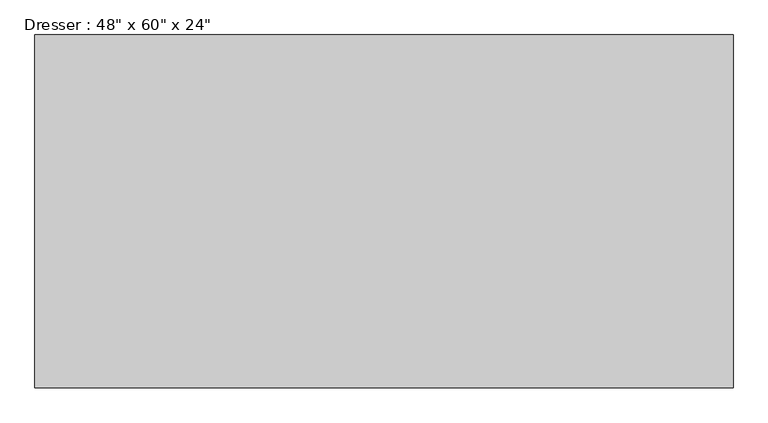
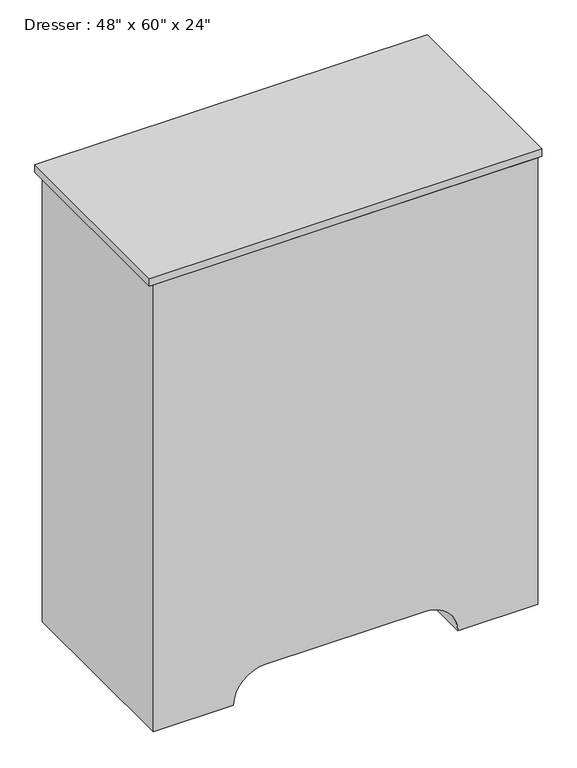
"""IFC4 building model written with IfcOpenShell, lengths in millimetres: furniture geometry."""

from ifc_helpers import new_model, si_unit, point, frame, frame_2d, origin, place, context, project, spatial, polyline, circle_curve, trimmed, segment, composite_curve, outline, extrude, source, transform, mapped, element, save


def furniture_6130974d(model_context):
    return source(origin(), model_context, "Body", "SweptSolid", [
        extrude(outline(polyline([(353.1067402, 58.3629541), (-891.4932598, 58.3629541), (-891.4932598, 687.0129541), (353.1067402, 687.0129541), (353.1067402, 58.3629541)])), frame((0.0, 0.0, 1498.6), z_axis=(0.0, 0.0, 1.0), x_axis=(1.0, 0.0, 0.0)), (0.0, 0.0, 1.0), 25.4),
        extrude(outline(composite_curve([segment(polyline([(0.0, 340.4067402), (1498.6, 340.4067402), (1498.6, -878.7932598), (0.0, -878.7932598), (0.0, -624.7932598)]), True, "CONTINUOUS"), segment(trimmed(circle_curve(frame_2d((0.0, -523.1932598)), 101.6), [point((0.0, -624.7932598))], [point((101.6, -523.1932598))], True, "CARTESIAN"), True, "CONTINUOUS"), segment(polyline([(101.6, -523.1932598), (101.6, -15.1932598)]), True, "CONTINUOUS"), segment(trimmed(circle_curve(frame_2d((0.0, -15.1932598)), 101.6), [point((101.6, -15.1932598))], [point((0.0, 86.4067402))], True, "CARTESIAN"), True, "CONTINUOUS"), segment(polyline([(0.0, 86.4067402), (0.0, 340.4067402)]), True, "CONTINUOUS")], self_intersect=False)), frame((0.0, 58.3629541, 0.0), z_axis=(0.0, 1.0, 0.0), x_axis=(0.0, 0.0, 1.0)), (0.0, 0.0, 1.0), 609.6),
        extrude(outline(composite_curve([segment(trimmed(circle_curve(frame_2d((1295.4, 10.2067402)), 25.4), [point((1295.4, -15.1932598))], [point((1295.4, 35.6067402))], False, "CARTESIAN"), True, "CONTINUOUS"), segment(trimmed(circle_curve(frame_2d((1295.4, 10.2067402)), 25.4), [point((1295.4, 35.6067402))], [point((1295.4, -15.1932598))], False, "CARTESIAN"), True, "CONTINUOUS")], self_intersect=False)), frame((0.0, 674.3129541, 0.0), z_axis=(0.0, 1.0, 0.0), x_axis=(0.0, 0.0, 1.0)), (0.0, 0.0, 1.0), 12.7),
        extrude(outline(composite_curve([segment(trimmed(circle_curve(frame_2d((990.6, 10.2067402)), 25.4), [point((990.6, -15.1932598))], [point((990.6, 35.6067402))], False, "CARTESIAN"), True, "CONTINUOUS"), segment(trimmed(circle_curve(frame_2d((990.6, 10.2067402)), 25.4), [point((990.6, 35.6067402))], [point((990.6, -15.1932598))], False, "CARTESIAN"), True, "CONTINUOUS")], self_intersect=False)), frame((0.0, 674.3129541, 0.0), z_axis=(0.0, 1.0, 0.0), x_axis=(0.0, 0.0, 1.0)), (0.0, 0.0, 1.0), 12.7),
        extrude(outline(composite_curve([segment(trimmed(circle_curve(frame_2d((685.8, 10.2067402)), 25.4), [point((685.8, -15.1932598))], [point((685.8, 35.6067402))], False, "CARTESIAN"), True, "CONTINUOUS"), segment(trimmed(circle_curve(frame_2d((685.8, 10.2067402)), 25.4), [point((685.8, 35.6067402))], [point((685.8, -15.1932598))], False, "CARTESIAN"), True, "CONTINUOUS")], self_intersect=False)), frame((0.0, 674.3129541, 0.0), z_axis=(0.0, 1.0, 0.0), x_axis=(0.0, 0.0, 1.0)), (0.0, 0.0, 1.0), 12.7),
        extrude(outline(composite_curve([segment(trimmed(circle_curve(frame_2d((381.0, 10.2067402)), 25.4), [point((381.0, -15.1932598))], [point((381.0, 35.6067402))], False, "CARTESIAN"), True, "CONTINUOUS"), segment(trimmed(circle_curve(frame_2d((381.0, 10.2067402)), 25.4), [point((381.0, 35.6067402))], [point((381.0, -15.1932598))], False, "CARTESIAN"), True, "CONTINUOUS")], self_intersect=False)), frame((0.0, 674.3129541, 0.0), z_axis=(0.0, 1.0, 0.0), x_axis=(0.0, 0.0, 1.0)), (0.0, 0.0, 1.0), 12.7),
        extrude(outline(composite_curve([segment(trimmed(circle_curve(frame_2d((381.0, -548.5932598)), 25.4), [point((381.0, -573.9932598))], [point((381.0, -523.1932598))], False, "CARTESIAN"), True, "CONTINUOUS"), segment(trimmed(circle_curve(frame_2d((381.0, -548.5932598)), 25.4), [point((381.0, -523.1932598))], [point((381.0, -573.9932598))], False, "CARTESIAN"), True, "CONTINUOUS")], self_intersect=False)), frame((0.0, 674.3129541, 0.0), z_axis=(0.0, 1.0, 0.0), x_axis=(0.0, 0.0, 1.0)), (0.0, 0.0, 1.0), 12.7),
        extrude(outline(composite_curve([segment(trimmed(circle_curve(frame_2d((685.8, -548.5932598)), 25.4), [point((685.8, -573.9932598))], [point((685.8, -523.1932598))], False, "CARTESIAN"), True, "CONTINUOUS"), segment(trimmed(circle_curve(frame_2d((685.8, -548.5932598)), 25.4), [point((685.8, -523.1932598))], [point((685.8, -573.9932598))], False, "CARTESIAN"), True, "CONTINUOUS")], self_intersect=False)), frame((0.0, 674.3129541, 0.0), z_axis=(0.0, 1.0, 0.0), x_axis=(0.0, 0.0, 1.0)), (0.0, 0.0, 1.0), 12.7),
        extrude(outline(composite_curve([segment(trimmed(circle_curve(frame_2d((990.6, -548.5932598)), 25.4), [point((990.6, -573.9932598))], [point((990.6, -523.1932598))], False, "CARTESIAN"), True, "CONTINUOUS"), segment(trimmed(circle_curve(frame_2d((990.6, -548.5932598)), 25.4), [point((990.6, -523.1932598))], [point((990.6, -573.9932598))], False, "CARTESIAN"), True, "CONTINUOUS")], self_intersect=False)), frame((0.0, 674.3129541, 0.0), z_axis=(0.0, 1.0, 0.0), x_axis=(0.0, 0.0, 1.0)), (0.0, 0.0, 1.0), 12.7),
        extrude(outline(composite_curve([segment(trimmed(circle_curve(frame_2d((1295.4, -548.5932598)), 25.4), [point((1295.4, -573.9932598))], [point((1295.4, -523.1932598))], False, "CARTESIAN"), True, "CONTINUOUS"), segment(trimmed(circle_curve(frame_2d((1295.4, -548.5932598)), 25.4), [point((1295.4, -523.1932598))], [point((1295.4, -573.9932598))], False, "CARTESIAN"), True, "CONTINUOUS")], self_intersect=False)), frame((0.0, 674.3129541, 0.0), z_axis=(0.0, 1.0, 0.0), x_axis=(0.0, 0.0, 1.0)), (0.0, 0.0, 1.0), 12.7),
        extrude(outline(polyline([(289.6067402, 674.3129541), (289.6067402, 667.9629541), (-827.9932598, 667.9629541), (-827.9932598, 674.3129541), (289.6067402, 674.3129541)])), frame((0.0, 0.0, 1155.7), z_axis=(0.0, 0.0, 1.0), x_axis=(1.0, 0.0, 0.0)), (0.0, 0.0, 1.0), 279.4),
        extrude(outline(polyline([(289.6067402, 674.3129541), (289.6067402, 667.9629541), (-827.9932598, 667.9629541), (-827.9932598, 674.3129541), (289.6067402, 674.3129541)])), frame((0.0, 0.0, 850.9), z_axis=(0.0, 0.0, 1.0), x_axis=(1.0, 0.0, 0.0)), (0.0, 0.0, 1.0), 279.4),
        extrude(outline(polyline([(289.6067402, 674.3129541), (289.6067402, 667.9629541), (-827.9932598, 667.9629541), (-827.9932598, 674.3129541), (289.6067402, 674.3129541)])), frame((0.0, 0.0, 546.1), z_axis=(0.0, 0.0, 1.0), x_axis=(1.0, 0.0, 0.0)), (0.0, 0.0, 1.0), 279.4),
        extrude(outline(polyline([(289.6067402, 674.3129541), (289.6067402, 667.9629541), (-827.9932598, 667.9629541), (-827.9932598, 674.3129541), (289.6067402, 674.3129541)])), frame((0.0, 0.0, 241.3), z_axis=(0.0, 0.0, 1.0), x_axis=(1.0, 0.0, 0.0)), (0.0, 0.0, 1.0), 279.4),
    ])


if __name__ == "__main__":
    model = new_model("IFC4")
    model_context = context("Model", 3, world=origin())
    ifc_project = project(units=[si_unit("LENGTHUNIT", "METRE", prefix="MILLI")], contexts=[model_context])
    site = spatial("IfcSite", under=ifc_project)
    building = spatial("IfcBuilding", under=site)
    placement = place(None, origin())
    furniture_shape = furniture_6130974d(model_context)
    element("IfcFurniture", 1, ObjectType="Dresser : 48\" x 60\" x 24\"", at=placement, inside=building, context=model_context, shape_type="MappedRepresentation", body=[
        mapped(furniture_shape, transform((0.0, 0.0, 0.0), x_axis=(1.0, 0.0, 0.0), y_axis=(0.0, 1.0, 0.0), z_axis=(0.0, 0.0, 1.0))),
    ])
    save(model, "model.ifc")
